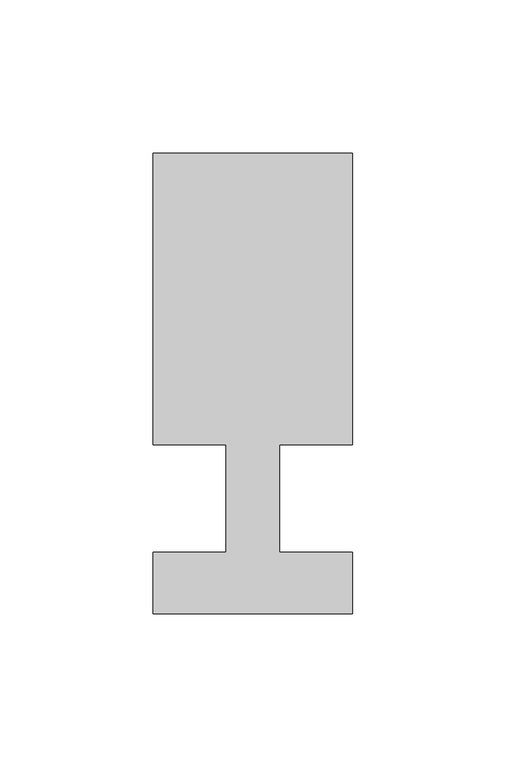
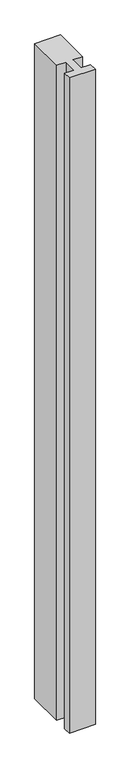
"""IFC4 building model written with IfcOpenShell, lengths in millimetres: member geometry."""

from ifc_helpers import new_model, si_unit, frame, origin, place, context, project, spatial, polyline, outline, extrude, source, transform, mapped, element, save


def member_906f833c(model_context):
    return source(origin(), model_context, "Body", "SweptSolid", [
        extrude(outline(polyline([(0.0, -37.0), (-65.0, -37.0), (-65.0, -17.0), (-41.1875, -17.0), (-41.1875, 18.0), (-65.0, 18.0), (-65.0, 113.0), (0.0, 113.0), (0.0, 18.0), (-23.8125, 18.0), (-23.8125, -17.0), (0.0, -17.0), (0.0, -37.0)])), frame((0.0, 0.0, -1731.0), z_axis=(0.0, 0.0, 1.0), x_axis=(1.0, 0.0, 0.0)), (0.0, 0.0, 1.0), 1731.0),
    ])


if __name__ == "__main__":
    model = new_model("IFC4")
    model_context = context("Model", 3, world=origin())
    ifc_project = project(units=[si_unit("LENGTHUNIT", "METRE", prefix="MILLI")], contexts=[model_context])
    site = spatial("IfcSite", under=ifc_project)
    building = spatial("IfcBuilding", under=site)
    placement = place(None, origin())
    member_shape = member_906f833c(model_context)
    element("IfcMember", 1, at=placement, inside=building, context=model_context, shape_type="MappedRepresentation", body=[
        mapped(member_shape, transform((0.0, 0.0, 0.0), x_axis=(1.0, 0.0, 0.0), y_axis=(0.0, 1.0, 0.0), z_axis=(0.0, 0.0, 1.0))),
    ])
    save(model, "model.ifc")
